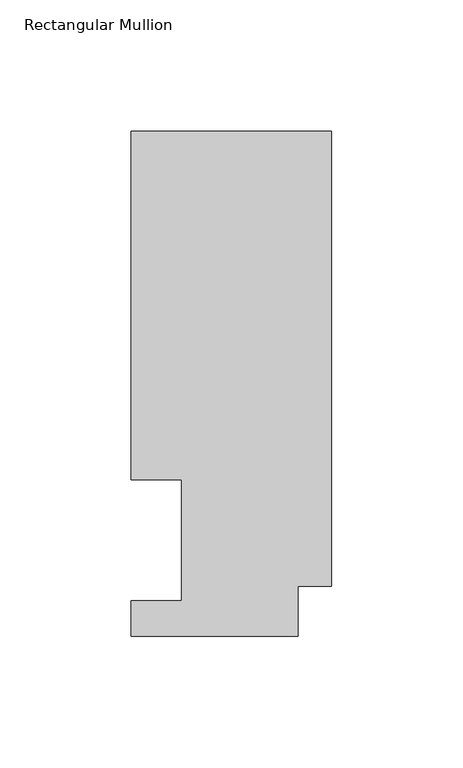
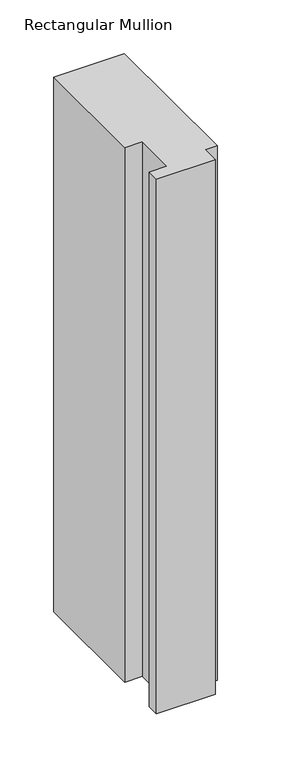
"""IFC4 building model written with IfcOpenShell, lengths in millimetres: member geometry, Rectangular Mullion."""

import ifcopenshell
import ifcopenshell.guid

model = None  # the IFC model being written
_history = None  # IfcOwnerHistory: only IFC2X3 demands one
_inside = {}  # id of a spatial element -> (the spatial element, [elements in it])
_under = {}  # id of a project, library or spatial element -> (it, [spatial elements below it])
_declared = {}  # id of a project -> (the project, [libraries it declares])
_typed = {}  # id of a type object -> (the type object, [elements of that type])
_made_of = {}  # id of a material, layer set ... -> (it, [elements and type objects made of it])


def new_model(schema):
    """Start an empty IFC model of exactly this schema.

    Asked for "IFC4X3", IfcOpenShell would pick the latest addendum, in which some entities
    have other attributes; the version numbers below select the first issue.
    IFC2X3 requires an IfcOwnerHistory on every rooted entity: one is made here for all.
    """
    global model, _history
    if schema == "IFC4X3":
        model = ifcopenshell.file(schema_version=(4, 3, 0, 0))
    else:
        model = ifcopenshell.file(schema=schema)
    _inside.clear()
    _under.clear()
    _declared.clear()
    _typed.clear()
    _made_of.clear()
    _history = None
    if model.schema == "IFC2X3":
        org = make("IfcOrganization", Name="unknown")
        user = make(
            "IfcPersonAndOrganization",
            ThePerson=make("IfcPerson", FamilyName="unknown"),
            TheOrganization=org,
        )
        app = make(
            "IfcApplication",
            ApplicationDeveloper=org,
            Version="unknown",
            ApplicationFullName="unknown",
            ApplicationIdentifier="unknown",
        )
        _history = make(
            "IfcOwnerHistory",
            OwningUser=user,
            OwningApplication=app,
            ChangeAction="ADDED",
            CreationDate=0,
        )
    return model


def make(cls, **values):
    """One entity of the class cls with the attributes given. An attribute that is None is left unset."""
    return model.create_entity(
        cls, **{name: value for name, value in values.items() if value is not None}
    )


def rooted(cls, **values):
    """An entity with a GlobalId (a new one), such as an element, a storey or a relation."""
    return make(cls, GlobalId=ifcopenshell.guid.new(), OwnerHistory=_history, **values)


def si_unit(unit_type, name, prefix=None):
    """IfcSIUnit, for example si_unit("LENGTHUNIT", "METRE", prefix="MILLI")."""
    return make("IfcSIUnit", UnitType=unit_type, Prefix=prefix, Name=name)


def assignment(units):
    """IfcUnitAssignment: the units of a project."""
    return None if units is None else make("IfcUnitAssignment", Units=units)


def point(xyz):
    """IfcCartesianPoint."""
    return None if xyz is None else make("IfcCartesianPoint", Coordinates=xyz)


def direction(xyz):
    """IfcDirection."""
    return None if xyz is None else make("IfcDirection", DirectionRatios=xyz)


def frame(location, z_axis=None, x_axis=None):
    """IfcAxis2Placement3D, a coordinate frame: its origin and axes. An axis left out is left unset."""
    return make(
        "IfcAxis2Placement3D",
        Location=point(location),
        Axis=direction(z_axis),
        RefDirection=direction(x_axis),
    )


def origin():
    """The frame at (0, 0, 0) with its axes left unset."""
    return frame((0.0, 0.0, 0.0))


def place(relative_to, where):
    """IfcLocalPlacement: puts the frame where relative to a parent placement (None: the world)."""
    return make(
        "IfcLocalPlacement", PlacementRelTo=relative_to, RelativePlacement=where
    )


def context(
    kind, dimensions, precision=None, world=None, true_north=None, identifier=None
):
    """IfcGeometricRepresentationContext, for example the 3D "Model" context."""
    return make(
        "IfcGeometricRepresentationContext",
        ContextIdentifier=identifier,
        ContextType=kind,
        CoordinateSpaceDimension=dimensions,
        Precision=precision,
        WorldCoordinateSystem=world,
        TrueNorth=true_north,
    )


def project(units=None, contexts=None):
    """IfcProject with its units and contexts."""
    return rooted(
        "IfcProject",
        Name="project",
        RepresentationContexts=contexts,
        UnitsInContext=assignment(units),
    )


def spatial(cls, under=None, at=None, **own):
    """A site, building, storey or space (cls), placed at a placement, below another one or the project."""
    s = rooted(cls, ObjectPlacement=at, **own)
    if under is not None:
        _under.setdefault(under.id(), (under, []))[1].append(s)
    return s


def polyline(points):
    """IfcPolyline through the points."""
    return make("IfcPolyline", Points=[point(p) for p in points])


def outline(outer, holes=None, kind="AREA"):
    """IfcArbitraryClosedProfileDef: a profile drawn as a closed curve; with holes, ...WithVoids."""
    if holes is None:
        return make("IfcArbitraryClosedProfileDef", ProfileType=kind, OuterCurve=outer)
    return make(
        "IfcArbitraryProfileDefWithVoids",
        ProfileType=kind,
        OuterCurve=outer,
        InnerCurves=holes,
    )


def extrude(swept, where, along, depth):
    """IfcExtrudedAreaSolid: the profile swept, set in the frame where, extruded along a direction by depth."""
    return make(
        "IfcExtrudedAreaSolid",
        SweptArea=swept,
        Position=where,
        ExtrudedDirection=direction(along),
        Depth=depth,
    )


def shape(context_of_items, identifier, shape_type, items):
    """IfcShapeRepresentation: the items that make up one representation, for example the "Body"."""
    return make(
        "IfcShapeRepresentation",
        ContextOfItems=context_of_items,
        RepresentationIdentifier=identifier,
        RepresentationType=shape_type,
        Items=items,
    )


def source(mapping_origin, context_of_items, identifier, shape_type, items):
    """IfcRepresentationMap: a shape defined once, which mapped items show again and again."""
    return make(
        "IfcRepresentationMap",
        MappingOrigin=mapping_origin,
        MappedRepresentation=shape(context_of_items, identifier, shape_type, items),
    )


def transform(
    local_origin,
    x_axis=None,
    y_axis=None,
    z_axis=None,
    scale=None,
    scale2=None,
    scale3=None,
    uniform=True,
):
    """IfcCartesianTransformationOperator3D, or its non-uniform kind. x_axis, y_axis, z_axis: its Axis1, 2, 3."""
    if uniform:
        return make(
            "IfcCartesianTransformationOperator3D",
            Axis1=direction(x_axis),
            Axis2=direction(y_axis),
            LocalOrigin=point(local_origin),
            Scale=scale,
            Axis3=direction(z_axis),
        )
    return make(
        "IfcCartesianTransformationOperator3DnonUniform",
        Axis1=direction(x_axis),
        Axis2=direction(y_axis),
        LocalOrigin=point(local_origin),
        Scale=scale,
        Axis3=direction(z_axis),
        Scale2=scale2,
        Scale3=scale3,
    )


def mapped(mapping_source, mapping_target):
    """IfcMappedItem: shows the shape of a source again, moved by a transform."""
    return make(
        "IfcMappedItem", MappingSource=mapping_source, MappingTarget=mapping_target
    )


def made_of(thing, what):
    """Note that an element or type object is made of a material, layer set ...; save() writes the relation."""
    if what is not None:
        _made_of.setdefault(what.id(), (what, []))[1].append(thing)
    return thing


def element(
    cls,
    number,
    at=None,
    inside=None,
    cuts=None,
    type_object=None,
    material=None,
    context=None,
    identifier="Body",
    shape_type=None,
    held_by="IfcProductDefinitionShape",
    body=None,
    shapes=None,
    **own,
):
    """One element of the class cls, such as IfcWall. Its Tag is "e" and its number.

    at: its placement. inside: the storey or other place that contains it. cuts: it is an
    opening in that element (IfcRelVoidsElement). A single representation is given by context,
    identifier, shape_type and body (its items); several are given by shapes. held_by: the class
    of the entity that holds the representations. save() writes the other relations.
    """
    e = rooted(cls, Tag="e%d" % number, ObjectPlacement=at, **own)
    if body is not None:
        shapes = [shape(context, identifier, shape_type, body)]
    if shapes is not None:
        e.Representation = make(held_by, Representations=shapes)
    if inside is not None:
        _inside.setdefault(inside.id(), (inside, []))[1].append(e)
    if cuts is not None:
        rooted(
            "IfcRelVoidsElement", RelatingBuildingElement=cuts, RelatedOpeningElement=e
        )
    if type_object is not None:
        _typed.setdefault(type_object.id(), (type_object, []))[1].append(e)
    return made_of(e, material)


def aggregate(whole, parts):
    """IfcRelAggregates: a whole, such as a stair, and the parts it consists of."""
    return rooted("IfcRelAggregates", RelatingObject=whole, RelatedObjects=parts)


def save(model, path):
    """Write the relations noted so far, then the file.

    IfcRelAggregates (storeys below a building ...), IfcRelContainedInSpatialStructure (elements
    in a storey), IfcRelDefinesByType, IfcRelAssociatesMaterial and IfcRelDeclares: one each for
    every whole, place, type object, material and project.
    """
    for whole, parts in _under.values():
        aggregate(whole, parts)
    for where, things in _inside.values():
        rooted(
            "IfcRelContainedInSpatialStructure",
            RelatedElements=things,
            RelatingStructure=where,
        )
    for kind, things in _typed.values():
        rooted("IfcRelDefinesByType", RelatedObjects=things, RelatingType=kind)
    for what, things in _made_of.values():
        rooted("IfcRelAssociatesMaterial", RelatedObjects=things, RelatingMaterial=what)
    for by, libraries in _declared.values():
        rooted("IfcRelDeclares", RelatingContext=by, RelatedDefinitions=libraries)
    model.write(path)


def rectangular_mullion_47638314(model_context):
    return source(origin(), model_context, "Body", "SweptSolid", [
        extrude(outline(polyline([(-76.2, 192.09385), (0.0, 192.09385), (0.0, 19.06905), (-12.7, 19.06905), (-12.7, 0.04445), (-76.2, 0.04445), (-76.2, 13.50645), (-57.15, 13.50645), (-57.15, 59.53125), (-76.2, 59.53125), (-76.2, 192.09385)])), frame((0.0, 0.0, -609.6), z_axis=(0.0, 0.0, 1.0), x_axis=(1.0, 0.0, 0.0)), (0.0, 0.0, 1.0), 609.6),
    ])


if __name__ == "__main__":
    model = new_model("IFC4")
    model_context = context("Model", 3, world=origin())
    ifc_project = project(units=[si_unit("LENGTHUNIT", "METRE", prefix="MILLI")], contexts=[model_context])
    site = spatial("IfcSite", under=ifc_project)
    building = spatial("IfcBuilding", under=site)
    placement = place(None, origin())
    rectangular_mullion_shape = rectangular_mullion_47638314(model_context)
    element("IfcMember", 1, ObjectType="Rectangular Mullion", at=placement, inside=building, context=model_context, shape_type="MappedRepresentation", body=[
        mapped(rectangular_mullion_shape, transform((0.0, 0.0, 0.0), x_axis=(1.0, 0.0, 0.0), y_axis=(0.0, 1.0, 0.0), z_axis=(0.0, 0.0, 1.0))),
    ])
    save(model, "model.ifc")
